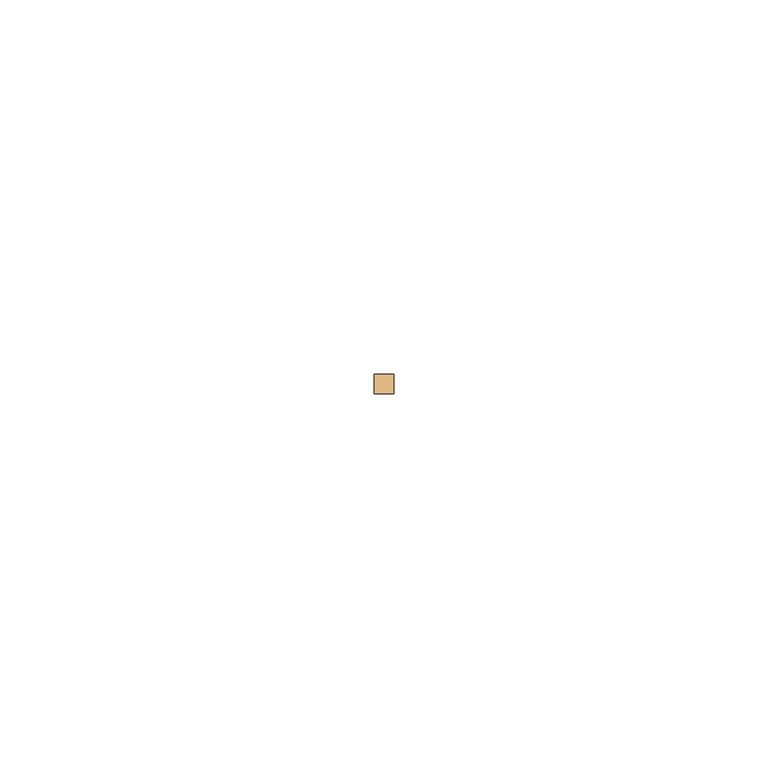
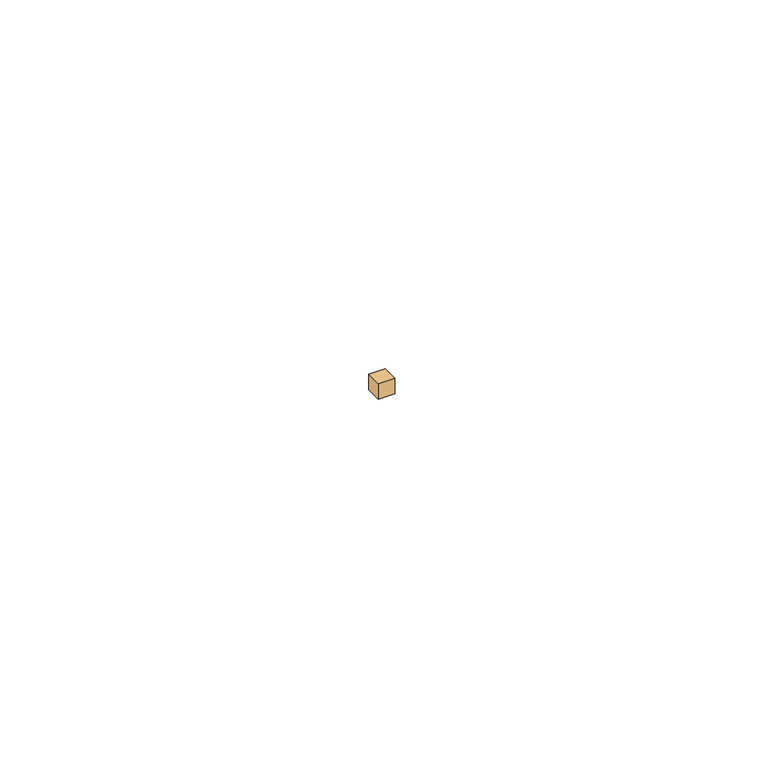
"""IFC4 building model written with IfcOpenShell, lengths in millimetres: door geometry."""

from ifc_helpers import new_model, si_unit, origin, origin_with_axes, place, context, project, spatial, polyline, outline, extrude, source, transform, mapped, element, save


def door_95e6d6af(model_context):
    return source(origin(), model_context, "Body", "SweptSolid", [
        extrude(outline(polyline([(-506.73, -1.0963656), (-509.27, -1.0963656), (-509.27, 1.4436344), (-506.73, 1.4436344), (-506.73, -1.0963656)])), origin_with_axes(), (0.0, 0.0, 1.0), 2.54),
    ])


if __name__ == "__main__":
    model = new_model("IFC4")
    model_context = context("Model", 3, world=origin())
    ifc_project = project(units=[si_unit("LENGTHUNIT", "METRE", prefix="MILLI")], contexts=[model_context])
    site = spatial("IfcSite", under=ifc_project)
    building = spatial("IfcBuilding", under=site)
    placement = place(None, origin())
    door_shape = door_95e6d6af(model_context)
    element("IfcDoor", 1, at=placement, inside=building, context=model_context, shape_type="MappedRepresentation", body=[
        mapped(door_shape, transform((0.0, 0.0, 0.0), x_axis=(1.0, 0.0, 0.0), y_axis=(0.0, 1.0, 0.0), z_axis=(0.0, 0.0, 1.0))),
    ])
    save(model, "model.ifc")
